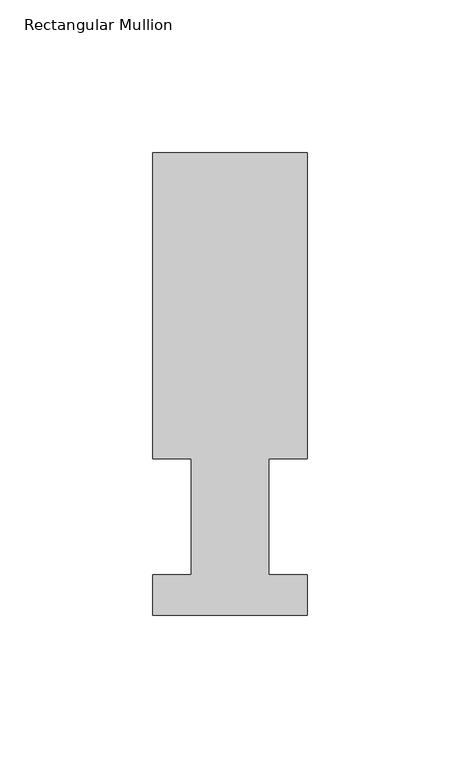
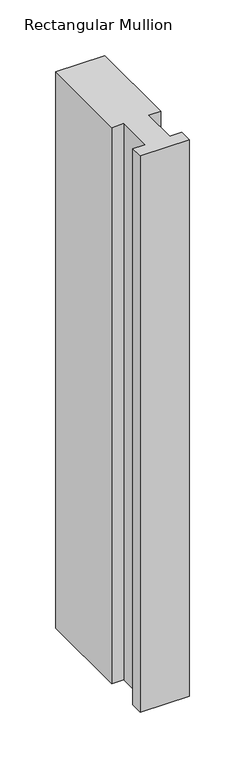
"""IFC4 building model written with IfcOpenShell, lengths in millimetres: member geometry, Rectangular Mullion."""

from ifc_helpers import new_model, si_unit, frame, origin, place, context, project, spatial, polyline, outline, extrude, source, transform, mapped, element, save


def rectangular_mullion_74f9a851(model_context):
    return source(origin(), model_context, "Body", "SweptSolid", [
        extrude(outline(polyline([(0.0, 151.7022937), (50.8, 151.7022937), (50.8, 51.2960937), (38.1, 51.2960937), (38.1, 13.1960938), (50.8, 13.1960938), (50.8, 0.0134937), (0.0, 0.0134937), (0.0, 13.1960938), (12.7, 13.1960938), (12.7, 51.2960938), (0.0, 51.2960938), (0.0, 151.7022937)])), frame((0.0, 0.0, -609.6), z_axis=(0.0, 0.0, 1.0), x_axis=(1.0, 0.0, 0.0)), (0.0, 0.0, 1.0), 609.6),
    ])


if __name__ == "__main__":
    model = new_model("IFC4")
    model_context = context("Model", 3, world=origin())
    ifc_project = project(units=[si_unit("LENGTHUNIT", "METRE", prefix="MILLI")], contexts=[model_context])
    site = spatial("IfcSite", under=ifc_project)
    building = spatial("IfcBuilding", under=site)
    placement = place(None, origin())
    rectangular_mullion_shape = rectangular_mullion_74f9a851(model_context)
    element("IfcMember", 1, ObjectType="Rectangular Mullion", at=placement, inside=building, context=model_context, shape_type="MappedRepresentation", body=[
        mapped(rectangular_mullion_shape, transform((0.0, 0.0, 0.0), x_axis=(1.0, 0.0, 0.0), y_axis=(0.0, 1.0, 0.0), z_axis=(0.0, 0.0, 1.0))),
    ])
    save(model, "model.ifc")
